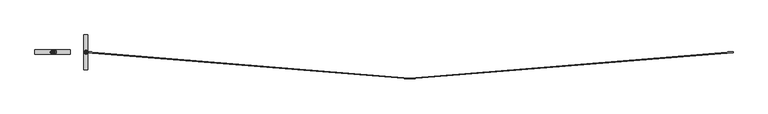
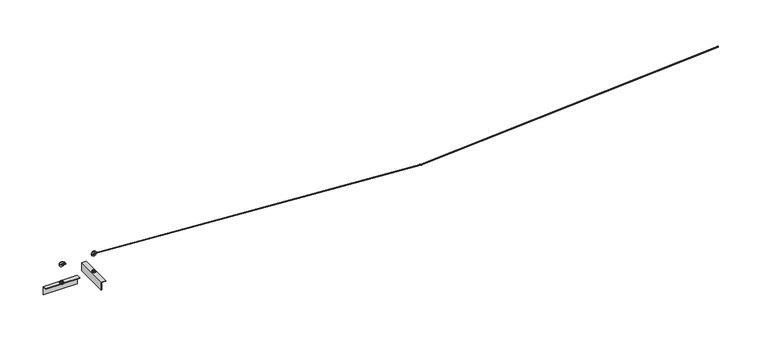
"""IFC4 building model written with IfcOpenShell, lengths in millimetres: proxy geometry."""

from ifc_helpers import new_model, si_unit, point, frame, frame_2d, origin, place, context, project, spatial, polyline, circle_curve, ellipse_curve, trimmed, segment, composite_curve, outline, extrude, source, transform, mapped, element, save
from ifc_brep_helpers import plane_surface, cylinder_surface, revolved_surface, spline_surface, advanced_brep


def specialty_equipment_2fce88db(model_context):
    return source(origin(), model_context, "Body", "SolidModel", [
        advanced_brep(
        [(-14.5545757, 300.0, 143.5), (14.5545757, 300.0, 143.5), (28.5545757, 300.0, 143.5), (-28.5545757, 300.0, 143.5)],
        [
            (0, 1, circle_curve(frame((0.0, 300.0, 143.5), z_axis=(0.0, 1.0, 0.0), x_axis=(1.0, 0.0, 0.0)), 14.5545757)),
            (1, 2, circle_curve(frame((21.5545757, 300.0, 143.5), z_axis=(0.0, 0.0, 1.0), x_axis=(-1.0, 0.0, 0.0)), 7.0)),
            (2, 3, circle_curve(frame((0.0, 300.0, 143.5), z_axis=(0.0, -1.0, 0.0), x_axis=(1.0, 0.0, 0.0)), 28.5545757)),
            (3, 0, circle_curve(frame((-21.5545757, 300.0, 143.5), z_axis=(0.0, 0.0, 1.0), x_axis=(1.0, 0.0, 0.0)), 7.0)),
            (2, 1, circle_curve(frame((21.5545757, 300.0, 143.5), z_axis=(0.0, 0.0, 1.0), x_axis=(-1.0, 0.0, 0.0)), 7.0)),
            (0, 3, circle_curve(frame((-21.5545757, 300.0, 143.5), z_axis=(0.0, 0.0, 1.0), x_axis=(1.0, 0.0, 0.0)), 7.0)),
            (1, 0, circle_curve(frame((0.0, 300.0, 143.5), z_axis=(0.0, 1.0, 0.0), x_axis=(-1.0, 0.0, 0.0)), 14.5545757)),
            (3, 2, circle_curve(frame((0.0, 300.0, 143.5), z_axis=(0.0, -1.0, 0.0), x_axis=(-1.0, 0.0, 0.0)), 28.5545757)),
        ],
        [
            revolved_surface(trimmed(ellipse_curve(frame((21.5545757, 300.0, 143.5), z_axis=(0.0, 0.0, -1.0), x_axis=(-1.0, 0.0, 0.0)), 7.0, 7.0), [point((28.5545757, 300.0, 143.5))], [point((14.5545757, 300.0, 143.5))], True, "CARTESIAN"), (0.0, 300.0, 143.5), (0.0, -1.0, 0.0)),
            revolved_surface(trimmed(ellipse_curve(frame((21.5545757, 300.0, 143.5), z_axis=(0.0, 0.0, -1.0), x_axis=(-1.0, 0.0, 0.0)), 7.0, 7.0), [point((14.5545757, 300.0, 143.5))], [point((28.5545757, 300.0, 143.5))], True, "CARTESIAN"), (0.0, 300.0, 143.5), (0.0, -1.0, 0.0)),
            revolved_surface(trimmed(ellipse_curve(frame((-21.5545757, 300.0, 143.5), z_axis=(0.0, 0.0, 1.0), x_axis=(1.0, 0.0, 0.0)), 7.0, 7.0), [point((-28.5545757, 300.0, 143.5))], [point((-14.5545757, 300.0, 143.5))], True, "CARTESIAN"), (0.0, 300.0, 143.5), (0.0, -1.0, 0.0)),
            revolved_surface(trimmed(ellipse_curve(frame((-21.5545757, 300.0, 143.5), z_axis=(0.0, 0.0, 1.0), x_axis=(1.0, 0.0, 0.0)), 7.0, 7.0), [point((-14.5545757, 300.0, 143.5))], [point((-28.5545757, 300.0, 143.5))], True, "CARTESIAN"), (0.0, 300.0, 143.5), (0.0, -1.0, 0.0)),
        ],
        [
            (0, [[1, 2, 3, 4]]),
            (1, [[-3, 5, -1, 6]]),
            (2, [[7, -4, 8, -2]]),
            (3, [[-8, -6, -7, -5]]),
        ],
    ),
        extrude(outline(composite_curve([segment(trimmed(circle_curve(frame_2d((143.5, 369.6324577)), 4.0), [point((143.5, 365.6324577))], [point((143.5, 373.6324577))], False, "CARTESIAN"), True, "CONTINUOUS"), segment(trimmed(circle_curve(frame_2d((143.5, 369.6324577)), 4.0), [point((143.5, 373.6324577))], [point((143.5, 365.6324577))], False, "CARTESIAN"), True, "CONTINUOUS")], self_intersect=False)), frame((0.0, 315.0, 0.0), z_axis=(0.0, 1.0, 0.0), x_axis=(0.0, 0.0, 1.0)), (0.0, 0.0, 1.0), 3.0),
        extrude(outline(composite_curve([segment(trimmed(circle_curve(frame_2d((143.5, 369.6324577)), 4.0), [point((143.5, 373.6324577))], [point((143.5, 365.6324577))], False, "CARTESIAN"), True, "CONTINUOUS"), segment(trimmed(circle_curve(frame_2d((143.5, 369.6324577)), 4.0), [point((143.5, 365.6324577))], [point((143.5, 373.6324577))], False, "CARTESIAN"), True, "CONTINUOUS")], self_intersect=False)), frame((0.0, 282.0, 0.0), z_axis=(0.0, 1.0, 0.0), x_axis=(0.0, 0.0, 1.0)), (0.0, 0.0, 1.0), 3.0),
        extrude(outline(composite_curve([segment(trimmed(circle_curve(frame_2d((143.5, 10.3432172)), 4.0), [point((143.5, 14.3432172))], [point((143.5, 6.3432172))], False, "CARTESIAN"), True, "CONTINUOUS"), segment(trimmed(circle_curve(frame_2d((143.5, 10.3432172)), 4.0), [point((143.5, 6.3432172))], [point((143.5, 14.3432172))], False, "CARTESIAN"), True, "CONTINUOUS")], self_intersect=False)), frame((0.0, 315.0, 0.0), z_axis=(0.0, 1.0, 0.0), x_axis=(0.0, 0.0, 1.0)), (0.0, 0.0, 1.0), 3.0),
        extrude(outline(composite_curve([segment(trimmed(circle_curve(frame_2d((143.5, 10.3432172)), 4.0), [point((143.5, 6.3432172))], [point((143.5, 14.3432172))], False, "CARTESIAN"), True, "CONTINUOUS"), segment(trimmed(circle_curve(frame_2d((143.5, 10.3432172)), 4.0), [point((143.5, 14.3432172))], [point((143.5, 6.3432172))], False, "CARTESIAN"), True, "CONTINUOUS")], self_intersect=False)), frame((0.0, 282.0, 0.0), z_axis=(0.0, 1.0, 0.0), x_axis=(0.0, 0.0, 1.0)), (0.0, 0.0, 1.0), 3.0),
        advanced_brep(
        [(40.0, 285.0, 137.1597348), (40.0, 285.0, 149.8402652), (10.3432172, 285.0, 149.8402652), (10.3432172, 285.0, 137.1597348), (40.0, 315.0, 137.1597348), (10.3432172, 315.0, 137.1597348), (10.3432172, 315.0, 149.8402652), (40.0, 315.0, 149.8402652), (10.3432172, 292.2189337, 149.8402652), (10.3432172, 292.2189337, 137.1597348), (10.3432172, 307.9112933, 137.1597348), (10.3432172, 307.9112933, 149.8402652), (35.0, 307.9112933, 149.8402652), (35.0, 292.2189337, 149.8402652), (35.0, 292.2189337, 137.1597348), (35.0, 307.9112933, 137.1597348)],
        [
            (0, 1),
            (1, 2),
            (2, 3, circle_curve(frame((10.3432172, 285.0, 143.5), z_axis=(0.0, -1.0, 0.0), x_axis=(1.0, 0.0, 0.0)), 6.3402652)),
            (3, 0),
            (4, 5),
            (5, 6, circle_curve(frame((10.3432172, 315.0, 143.5), z_axis=(0.0, 1.0, 0.0), x_axis=(1.0, 0.0, 0.0)), 6.3402652)),
            (6, 7),
            (7, 4),
            (0, 4),
            (7, 1),
            (2, 8),
            (8, 9, circle_curve(frame((10.3432172, 292.2189337, 143.5), z_axis=(0.0, -1.0, 0.0), x_axis=(1.0, 0.0, 0.0)), 6.3402652)),
            (9, 3),
            (5, 10),
            (10, 11, circle_curve(frame((10.3432172, 307.9112933, 143.5), z_axis=(0.0, 1.0, 0.0), x_axis=(1.0, 0.0, 0.0)), 6.3402652)),
            (11, 6),
            (11, 12),
            (12, 13),
            (13, 8),
            (9, 14),
            (14, 15),
            (15, 10),
            (14, 13),
            (12, 15),
        ],
        [
            plane_surface(frame((40.0, 285.0, 149.8402652), z_axis=(0.0, -1.0, 0.0), x_axis=(0.0, 0.0, 1.0))),
            plane_surface(frame((40.0, 315.0, 149.8402652), z_axis=(0.0, 1.0, 0.0), x_axis=(0.0, 0.0, -1.0))),
            plane_surface(frame((40.0, 285.0, 137.1597348), z_axis=(1.0, 0.0, 0.0), x_axis=(0.0, 1.0, 0.0))),
            cylinder_surface(frame((10.3432172, 315.0, 143.5), z_axis=(0.0, -1.0, 0.0), x_axis=(1.0, 0.0, 0.0)), 6.3402652),
            plane_surface(frame((40.0, 285.0, 149.8402652), z_axis=(0.0, 0.0, 1.0), x_axis=(0.0, 1.0, 0.0))),
            plane_surface(frame((10.3432172, 285.0, 137.1597348), z_axis=(0.0, 0.0, -1.0), x_axis=(0.0, 1.0, 0.0))),
            plane_surface(frame((35.0, 307.9112933, 137.1597348), z_axis=(-1.0, 0.0, 0.0), x_axis=(0.0, 0.0, 1.0))),
            plane_surface(frame((35.0, 292.2189337, 137.1597348), z_axis=(0.0, 1.0, 0.0), x_axis=(0.0, 0.0, 1.0))),
            plane_surface(frame((0.0, 307.9112933, 137.1597348), z_axis=(0.0, -1.0, 0.0), x_axis=(0.0, 0.0, 1.0))),
        ],
        [
            (0, [[1, 2, 3, 4]]),
            (1, [[5, 6, 7, 8]]),
            (2, [[-1, 9, -8, 10]]),
            (3, [[-3, 11, 12, 13]]),
            (3, [[-6, 14, 15, 16]]),
            (4, [[-2, -10, -7, -16, 17, 18, 19, -11]]),
            (5, [[-4, -13, 20, 21, 22, -14, -5, -9]]),
            (6, [[23, -18, 24, -21]]),
            (7, [[-23, -20, -12, -19]]),
            (8, [[-24, -17, -15, -22]]),
        ],
    ),
        extrude(outline(polyline([(327.5, -81.0), (327.5, -181.0), (321.5, -181.0), (321.5, -87.0), (277.5, -87.0), (277.5, -81.0), (327.5, -81.0)])), frame((-200.0243251, 0.0, 0.0), z_axis=(1.0, 0.0, 0.0), x_axis=(0.0, 1.0, 0.0)), (0.0, 0.0, 1.0), 400.0),
        extrude(outline(polyline([(10.3679798, 300.1378375), (5.1718274, 291.1378375), (-5.2204775, 291.1378375), (-10.4166299, 300.1378375), (-5.2204775, 309.1378375), (5.1718274, 309.1378375), (10.3679798, 300.1378375)]), holes=[composite_curve([segment(trimmed(circle_curve(frame_2d((-0.0243251, 300.1378375)), 7.0), [point((-0.0243251, 307.1378375))], [point((-0.0243251, 293.1378375))], True, "CARTESIAN"), True, "CONTINUOUS"), segment(trimmed(circle_curve(frame_2d((-0.0243251, 300.1378375)), 7.0), [point((-0.0243251, 293.1378375))], [point((-0.0243251, 307.1378375))], True, "CARTESIAN"), True, "CONTINUOUS")], self_intersect=False)]), frame((0.0, 0.0, -75.0), z_axis=(0.0, 0.0, 1.0), x_axis=(1.0, 0.0, 0.0)), (0.0, 0.0, 1.0), 10.0),
        extrude(outline(composite_curve([segment(trimmed(circle_curve(frame_2d((-0.5243251, 300.1378375)), 13.0), [point((-0.5243251, 313.1378375))], [point((-0.5243251, 287.1378375))], False, "CARTESIAN"), True, "CONTINUOUS"), segment(trimmed(circle_curve(frame_2d((-0.5243251, 300.1378375)), 13.0), [point((-0.5243251, 287.1378375))], [point((-0.5243251, 313.1378375))], False, "CARTESIAN"), True, "CONTINUOUS")], self_intersect=False)), frame((0.0, 0.0, -78.0), z_axis=(0.0, 0.0, 1.0), x_axis=(1.0, 0.0, 0.0)), (0.0, 0.0, 1.0), 3.0),
        extrude(outline(composite_curve([segment(trimmed(circle_curve(frame_2d((-0.5243251, 300.1378375)), 22.5), [point((-0.5243251, 322.6378375))], [point((-0.5243251, 277.6378375))], False, "CARTESIAN"), True, "CONTINUOUS"), segment(trimmed(circle_curve(frame_2d((-0.5243251, 300.1378375)), 22.5), [point((-0.5243251, 277.6378375))], [point((-0.5243251, 322.6378375))], False, "CARTESIAN"), True, "CONTINUOUS")], self_intersect=False)), frame((0.0, 0.0, -81.0), z_axis=(0.0, 0.0, 1.0), x_axis=(1.0, 0.0, 0.0)), (0.0, 0.0, 1.0), 3.0),
        extrude(outline(composite_curve([segment(trimmed(circle_curve(frame_2d((-0.5, 300.0)), 21.2), [point((-0.5, 278.8))], [point((-0.5, 321.2))], False, "CARTESIAN"), True, "CONTINUOUS"), segment(trimmed(circle_curve(frame_2d((-0.5, 300.0)), 21.2), [point((-0.5, 321.2))], [point((-0.5, 278.8))], False, "CARTESIAN"), True, "CONTINUOUS")], self_intersect=False)), frame((0.0, 0.0, -90.0), z_axis=(0.0, 0.0, 1.0), x_axis=(1.0, 0.0, 0.0)), (0.0, 0.0, 1.0), 3.0),
        extrude(outline(polyline([(10.3923048, 300.0), (5.1961524, 291.0), (-5.1961524, 291.0), (-10.3923048, 300.0), (-5.1961524, 309.0), (5.1961524, 309.0), (10.3923048, 300.0)]), holes=[composite_curve([segment(trimmed(circle_curve(frame_2d((0.0, 300.0)), 7.0), [point((0.0, 293.0))], [point((0.0, 307.0))], True, "CARTESIAN"), True, "CONTINUOUS"), segment(trimmed(circle_curve(frame_2d((0.0, 300.0)), 7.0), [point((0.0, 307.0))], [point((0.0, 293.0))], True, "CARTESIAN"), True, "CONTINUOUS")], self_intersect=False)]), frame((0.0, 0.0, -100.0), z_axis=(0.0, 0.0, 1.0), x_axis=(1.0, 0.0, 0.0)), (0.0, 0.0, 1.0), 10.0),
        extrude(outline(polyline([(390.3679798, 300.1378375), (385.1718274, 291.1378375), (374.7795225, 291.1378375), (369.5833701, 300.1378375), (374.7795225, 309.1378375), (385.1718274, 309.1378375), (390.3679798, 300.1378375)]), holes=[composite_curve([segment(trimmed(circle_curve(frame_2d((379.9756749, 300.1378375)), 7.0), [point((379.9756749, 307.1378375))], [point((379.9756749, 293.1378375))], True, "CARTESIAN"), True, "CONTINUOUS"), segment(trimmed(circle_curve(frame_2d((379.9756749, 300.1378375)), 7.0), [point((379.9756749, 293.1378375))], [point((379.9756749, 307.1378375))], True, "CARTESIAN"), True, "CONTINUOUS")], self_intersect=False)]), frame((0.0, 0.0, -75.0), z_axis=(0.0, 0.0, 1.0), x_axis=(1.0, 0.0, 0.0)), (0.0, 0.0, 1.0), 10.0),
        advanced_brep(
        [(365.4210992, 300.0, 143.5), (394.5302506, 300.0, 143.5), (408.5302506, 300.0, 143.5), (351.4210992, 300.0, 143.5)],
        [
            (0, 1, circle_curve(frame((379.9756749, 300.0, 143.5), z_axis=(0.0, 1.0, 0.0), x_axis=(1.0, 0.0, 0.0)), 14.5545757)),
            (1, 2, circle_curve(frame((401.5302506, 300.0, 143.5), z_axis=(0.0, 0.0, 1.0), x_axis=(-1.0, 0.0, 0.0)), 7.0)),
            (2, 3, circle_curve(frame((379.9756749, 300.0, 143.5), z_axis=(0.0, -1.0, 0.0), x_axis=(1.0, 0.0, 0.0)), 28.5545757)),
            (3, 0, circle_curve(frame((358.4210992, 300.0, 143.5), z_axis=(0.0, 0.0, 1.0), x_axis=(1.0, 0.0, 0.0)), 7.0)),
            (2, 1, circle_curve(frame((401.5302506, 300.0, 143.5), z_axis=(0.0, 0.0, 1.0), x_axis=(-1.0, 0.0, 0.0)), 7.0)),
            (0, 3, circle_curve(frame((358.4210992, 300.0, 143.5), z_axis=(0.0, 0.0, 1.0), x_axis=(1.0, 0.0, 0.0)), 7.0)),
            (1, 0, circle_curve(frame((379.9756749, 300.0, 143.5), z_axis=(0.0, 1.0, 0.0), x_axis=(-1.0, 0.0, 0.0)), 14.5545757)),
            (3, 2, circle_curve(frame((379.9756749, 300.0, 143.5), z_axis=(0.0, -1.0, 0.0), x_axis=(-1.0, 0.0, 0.0)), 28.5545757)),
        ],
        [
            revolved_surface(trimmed(ellipse_curve(frame((401.5302506, 300.0, 143.5), z_axis=(0.0, 0.0, -1.0), x_axis=(-1.0, 0.0, 0.0)), 7.0, 7.0), [point((408.5302506, 300.0, 143.5))], [point((394.5302506, 300.0, 143.5))], True, "CARTESIAN"), (379.9756749, 300.0, 143.5), (0.0, -1.0, 0.0)),
            revolved_surface(trimmed(ellipse_curve(frame((401.5302506, 300.0, 143.5), z_axis=(0.0, 0.0, -1.0), x_axis=(-1.0, 0.0, 0.0)), 7.0, 7.0), [point((394.5302506, 300.0, 143.5))], [point((408.5302506, 300.0, 143.5))], True, "CARTESIAN"), (379.9756749, 300.0, 143.5), (0.0, -1.0, 0.0)),
            revolved_surface(trimmed(ellipse_curve(frame((358.4210992, 300.0, 143.5), z_axis=(0.0, 0.0, 1.0), x_axis=(1.0, 0.0, 0.0)), 7.0, 7.0), [point((351.4210992, 300.0, 143.5))], [point((365.4210992, 300.0, 143.5))], True, "CARTESIAN"), (379.9756749, 300.0, 143.5), (0.0, -1.0, 0.0)),
            revolved_surface(trimmed(ellipse_curve(frame((358.4210992, 300.0, 143.5), z_axis=(0.0, 0.0, 1.0), x_axis=(1.0, 0.0, 0.0)), 7.0, 7.0), [point((365.4210992, 300.0, 143.5))], [point((351.4210992, 300.0, 143.5))], True, "CARTESIAN"), (379.9756749, 300.0, 143.5), (0.0, -1.0, 0.0)),
        ],
        [
            (0, [[1, 2, 3, 4]]),
            (1, [[-3, 5, -1, 6]]),
            (2, [[7, -4, 8, -2]]),
            (3, [[-8, -6, -7, -5]]),
        ],
    ),
        extrude(outline(composite_curve([segment(trimmed(circle_curve(frame_2d((379.4756749, 300.1378375)), 13.0), [point((379.4756749, 313.1378375))], [point((379.4756749, 287.1378375))], False, "CARTESIAN"), True, "CONTINUOUS"), segment(trimmed(circle_curve(frame_2d((379.4756749, 300.1378375)), 13.0), [point((379.4756749, 287.1378375))], [point((379.4756749, 313.1378375))], False, "CARTESIAN"), True, "CONTINUOUS")], self_intersect=False)), frame((0.0, 0.0, -78.0), z_axis=(0.0, 0.0, 1.0), x_axis=(1.0, 0.0, 0.0)), (0.0, 0.0, 1.0), 3.0),
        extrude(outline(composite_curve([segment(trimmed(circle_curve(frame_2d((379.4756749, 300.1378375)), 22.5), [point((379.4756749, 322.6378375))], [point((379.4756749, 277.6378375))], False, "CARTESIAN"), True, "CONTINUOUS"), segment(trimmed(circle_curve(frame_2d((379.4756749, 300.1378375)), 22.5), [point((379.4756749, 277.6378375))], [point((379.4756749, 322.6378375))], False, "CARTESIAN"), True, "CONTINUOUS")], self_intersect=False)), frame((0.0, 0.0, -81.0), z_axis=(0.0, 0.0, 1.0), x_axis=(1.0, 0.0, 0.0)), (0.0, 0.0, 1.0), 3.0),
        extrude(outline(polyline([(-81.0, 351.9756749), (-181.0, 351.9756749), (-181.0, 357.9756749), (-87.0, 357.9756749), (-87.0, 401.9756749), (-81.0, 401.9756749), (-81.0, 351.9756749)])), frame((0.0, 99.8621625, 0.0), z_axis=(0.0, 1.0, 0.0), x_axis=(0.0, 0.0, 1.0)), (0.0, 0.0, 1.0), 396.0),
        extrude(outline(composite_curve([segment(trimmed(circle_curve(frame_2d((379.4756749, 300.0)), 21.3), [point((379.4756749, 278.7))], [point((379.4756749, 321.3))], False, "CARTESIAN"), True, "CONTINUOUS"), segment(trimmed(circle_curve(frame_2d((379.4756749, 300.0)), 21.3), [point((379.4756749, 321.3))], [point((379.4756749, 278.7))], False, "CARTESIAN"), True, "CONTINUOUS")], self_intersect=False)), frame((0.0, 0.0, -90.0), z_axis=(0.0, 0.0, 1.0), x_axis=(1.0, 0.0, 0.0)), (0.0, 0.0, 1.0), 3.0),
        extrude(outline(polyline([(390.3679798, 300.0), (385.1718274, 291.0), (374.7795225, 291.0), (369.5833701, 300.0), (374.7795225, 309.0), (385.1718274, 309.0), (390.3679798, 300.0)]), holes=[composite_curve([segment(trimmed(circle_curve(frame_2d((379.9756749, 300.0)), 7.0), [point((379.9756749, 293.0))], [point((379.9756749, 307.0))], True, "CARTESIAN"), True, "CONTINUOUS"), segment(trimmed(circle_curve(frame_2d((379.9756749, 300.0)), 7.0), [point((379.9756749, 307.0))], [point((379.9756749, 293.0))], True, "CARTESIAN"), True, "CONTINUOUS")], self_intersect=False)]), frame((0.0, 0.0, -100.0), z_axis=(0.0, 0.0, 1.0), x_axis=(1.0, 0.0, 0.0)), (0.0, 0.0, 1.0), 10.0),
        advanced_brep(
        [(7720.3260122, 296.0117842, 143.5), (7719.6742352, 303.9851892, 143.5), (4050.3258885, -3.9867025, 143.5), (4049.6741115, 3.9867025, 143.5)],
        [
            (0, 1, circle_curve(frame((7720.0001237, 299.9984867, 143.5), z_axis=(0.9966756209526545, 0.08147212160389929, 0.0), x_axis=(-0.08147212160389929, 0.9966756209526545, 0.0)), 4.0)),
            (1, 0, circle_curve(frame((7720.0001237, 299.9984867, 143.5), z_axis=(0.9966756209526545, 0.08147212160389929, 0.0), x_axis=(-0.08147212160389929, 0.9966756209526545, 0.0)), 4.0)),
            (2, 3, circle_curve(frame((4050.0, 0.0, 143.5), z_axis=(-0.9966756209526545, -0.08147212160389931, 0.0), x_axis=(-0.08147212160389931, 0.9966756209526545, 0.0)), 4.0)),
            (3, 2, circle_curve(frame((4050.0, 0.0, 143.5), z_axis=(-0.9966756209526545, -0.08147212160389931, 0.0), x_axis=(-0.08147212160389931, 0.9966756209526545, 0.0)), 4.0)),
            (3, 1),
            (0, 2),
        ],
        [
            plane_surface(frame((7720.0001237, 299.9984867, 143.5), z_axis=(0.9966756209526545, 0.08147212160389929, 0.0), x_axis=(0.0, 0.0, -1.0))),
            plane_surface(frame((4050.0, 0.0, 143.5), z_axis=(-0.9966756209526545, -0.08147212160389931, 0.0), x_axis=(0.0, 0.0, -1.0))),
            spline_surface(2, 1, [[(4050.3258885, -3.9867025, 143.5), (7720.3260122, 296.0117842, 143.5)], [(4050.3258885, -3.9867025, 139.49999998275769), (7720.3260122, 296.0117842, 139.49999998275766)], [(4050.0, 0.0, 139.49999998275769), (7720.0001237, 299.9984867, 139.49999998275766)], [(4049.6741115, 3.9867025, 139.4999999827576), (7719.674235199999, 303.9851892, 139.4999999827576)], [(4049.6741115, 3.9867025, 143.5), (7719.6742352, 303.9851892, 143.5)]], [3, 2, 3], [2, 2], [0.0, 1.0, 2.0], [0.0, 1.0], weights=[[1.0, 1.0], [0.7071067811865476, 0.7071067811865476], [1.0, 1.0], [0.707106781186541, 0.707106781186541], [1.0, 1.0]]),
            spline_surface(2, 1, [[(4049.6741115, 3.9867025, 143.5), (7719.6742352, 303.9851892, 143.5)], [(4049.6741115, 3.9867025, 147.50000001724231), (7719.6742352, 303.9851892, 147.50000001724226)], [(4050.0, 0.0, 147.50000001724231), (7720.0001237, 299.9984867, 147.50000001724226)], [(4050.3258885, -3.9867025, 147.50000001724231), (7720.326012199999, 296.0117842, 147.50000001724226)], [(4050.3258885, -3.9867025, 143.5), (7720.3260122, 296.0117842, 143.5)]], [3, 2, 3], [2, 2], [0.0, 1.0, 2.0], [0.0, 1.0], weights=[[1.0, 1.0], [0.7071067811865476, 0.7071067811865476], [1.0, 1.0], [0.7071067811865476, 0.7071067811865476], [1.0, 1.0]]),
        ],
        [
            (0, [[1, 2]]),
            (1, [[3, 4]]),
            (2, [[-4, 5, -1, 6]]),
            (3, [[-3, -6, -2, -5]]),
        ],
    ),
        advanced_brep(
        [(4049.6754177, -3.9707236, 143.5), (4050.3271947, 4.0026814, 143.5), (379.6741116, 296.013299, 143.5), (380.3258886, 303.986704, 143.5)],
        [
            (0, 1, circle_curve(frame((4050.0013062, 0.0159789, 143.5), z_axis=(0.9966756209526659, -0.0814721216037602, 0.0), x_axis=(0.0814721216037602, 0.9966756209526659, 0.0)), 4.0)),
            (1, 0, circle_curve(frame((4050.0013062, 0.0159789, 143.5), z_axis=(0.9966756209526659, -0.0814721216037602, 0.0), x_axis=(0.0814721216037602, 0.9966756209526659, 0.0)), 4.0)),
            (2, 3, circle_curve(frame((380.0000001, 300.0000015, 143.5), z_axis=(-0.9966756209526659, 0.08147212160376023, 0.0), x_axis=(0.08147212160376023, 0.9966756209526659, 0.0)), 4.0)),
            (3, 2, circle_curve(frame((380.0000001, 300.0000015, 143.5), z_axis=(-0.9966756209526659, 0.08147212160376023, 0.0), x_axis=(0.08147212160376023, 0.9966756209526659, 0.0)), 4.0)),
            (3, 1),
            (0, 2),
        ],
        [
            plane_surface(frame((4050.0013062, 0.0159789, 143.5), z_axis=(0.9966756209526659, -0.0814721216037602, 0.0), x_axis=(0.0, 0.0, -1.0))),
            plane_surface(frame((380.0000001, 300.0000015, 143.5), z_axis=(-0.9966756209526659, 0.08147212160376023, 0.0), x_axis=(0.0, 0.0, -1.0))),
            spline_surface(2, 1, [[(379.6741116, 296.013299, 143.5), (4049.6754177, -3.9707236, 143.5)], [(379.6741116, 296.013299, 139.4999999827577), (4049.6754177, -3.9707236, 139.49999998275769)], [(380.0000001, 300.0000015, 139.4999999827577), (4050.0013062, 0.0159789, 139.49999998275769)], [(380.32588860000004, 303.986704, 139.4999999827577), (4050.3271947, 4.0026814, 139.49999998275769)], [(380.3258886, 303.986704, 143.5), (4050.3271947, 4.0026814, 143.5)]], [3, 2, 3], [2, 2], [0.0, 1.0, 2.0], [0.0, 1.0], weights=[[1.0, 1.0], [0.7071067811865476, 0.7071067811865476], [1.0, 1.0], [0.7071067811865476, 0.7071067811865476], [1.0, 1.0]]),
            spline_surface(2, 1, [[(380.3258886, 303.986704, 143.5), (4050.3271947, 4.0026814, 143.5)], [(380.3258886, 303.986704, 147.5000000172423), (4050.3271947, 4.0026814, 147.50000001724231)], [(380.0000001, 300.0000015, 147.5000000172423), (4050.0013062, 0.0159789, 147.50000001724231)], [(379.67411160000006, 296.013299, 147.5000000172423), (4049.6754177, -3.9707236000000004, 147.50000001724231)], [(379.6741116, 296.013299, 143.5), (4049.6754177, -3.9707236, 143.5)]], [3, 2, 3], [2, 2], [0.0, 1.0, 2.0], [0.0, 1.0], weights=[[1.0, 1.0], [0.7071067811865476, 0.7071067811865476], [1.0, 1.0], [0.7071067811865476, 0.7071067811865476], [1.0, 1.0]]),
        ],
        [
            (0, [[1, 2]]),
            (1, [[3, 4]]),
            (2, [[-4, 5, -1, 6]]),
            (3, [[-3, -6, -2, -5]]),
        ],
    ),
    ])


if __name__ == "__main__":
    model = new_model("IFC4")
    model_context = context("Model", 3, world=origin())
    ifc_project = project(units=[si_unit("LENGTHUNIT", "METRE", prefix="MILLI")], contexts=[model_context])
    site = spatial("IfcSite", under=ifc_project)
    building = spatial("IfcBuilding", under=site)
    placement = place(None, origin())
    specialty_equipment_shape = specialty_equipment_2fce88db(model_context)
    element("IfcBuildingElementProxy", 1, Name="Specialty Equipment", at=placement, inside=building, context=model_context, shape_type="MappedRepresentation", body=[
        mapped(specialty_equipment_shape, transform((0.0, 0.0, 0.0), x_axis=(1.0, 0.0, 0.0), y_axis=(0.0, 1.0, 0.0), z_axis=(0.0, 0.0, 1.0))),
    ])
    save(model, "model.ifc")
